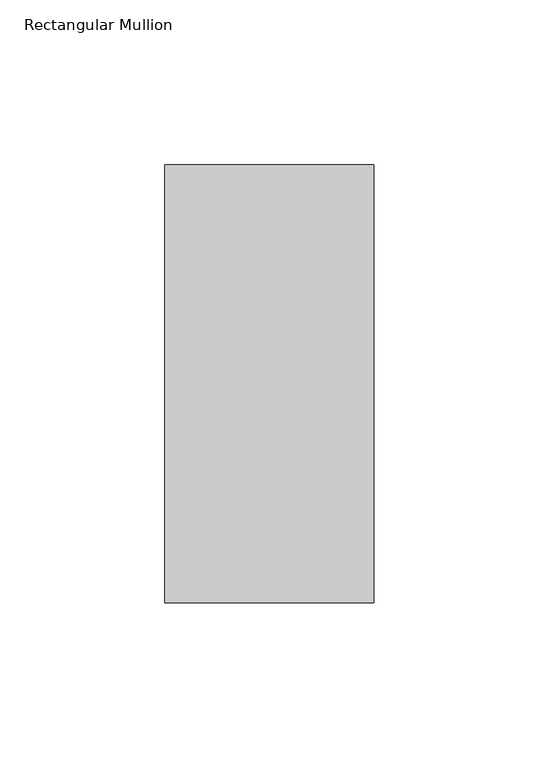
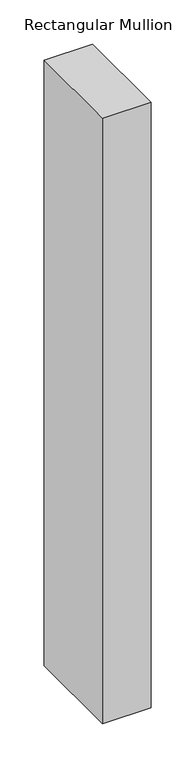
"""IFC4 building model written with IfcOpenShell, lengths in millimetres: member geometry, Rectangular Mullion."""

from ifc_helpers import new_model, si_unit, frame, origin, place, context, project, spatial, polyline, outline, extrude, source, transform, mapped, element, save


def rectangular_mullion_4e1a62a3(model_context):
    return source(origin(), model_context, "Body", "SweptSolid", [
        extrude(outline(polyline([(31.75, 190.0936), (31.75, 57.15), (-31.75, 57.15), (-31.75, 190.0936), (31.75, 190.0936)])), frame((0.0, 0.0, -838.1999991), z_axis=(0.0, 0.0, 1.0), x_axis=(1.0, 0.0, 0.0)), (0.0, 0.0, 1.0), 838.1999991),
    ])


if __name__ == "__main__":
    model = new_model("IFC4")
    model_context = context("Model", 3, world=origin())
    ifc_project = project(units=[si_unit("LENGTHUNIT", "METRE", prefix="MILLI")], contexts=[model_context])
    site = spatial("IfcSite", under=ifc_project)
    building = spatial("IfcBuilding", under=site)
    placement = place(None, origin())
    rectangular_mullion_shape = rectangular_mullion_4e1a62a3(model_context)
    element("IfcMember", 1, ObjectType="Rectangular Mullion", at=placement, inside=building, context=model_context, shape_type="MappedRepresentation", body=[
        mapped(rectangular_mullion_shape, transform((0.0, 0.0, 0.0), x_axis=(1.0, 0.0, 0.0), y_axis=(0.0, 1.0, 0.0), z_axis=(0.0, 0.0, 1.0))),
    ])
    save(model, "model.ifc")
